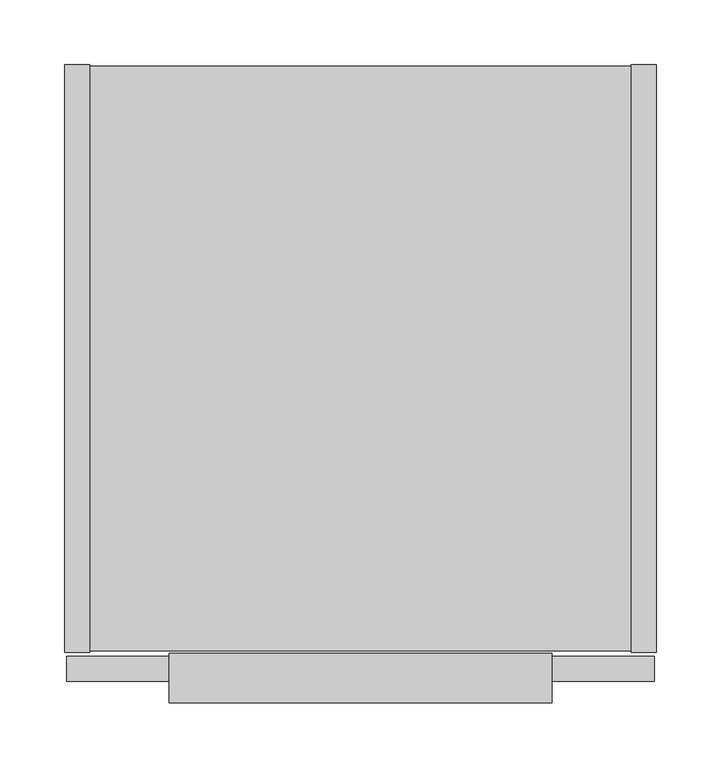
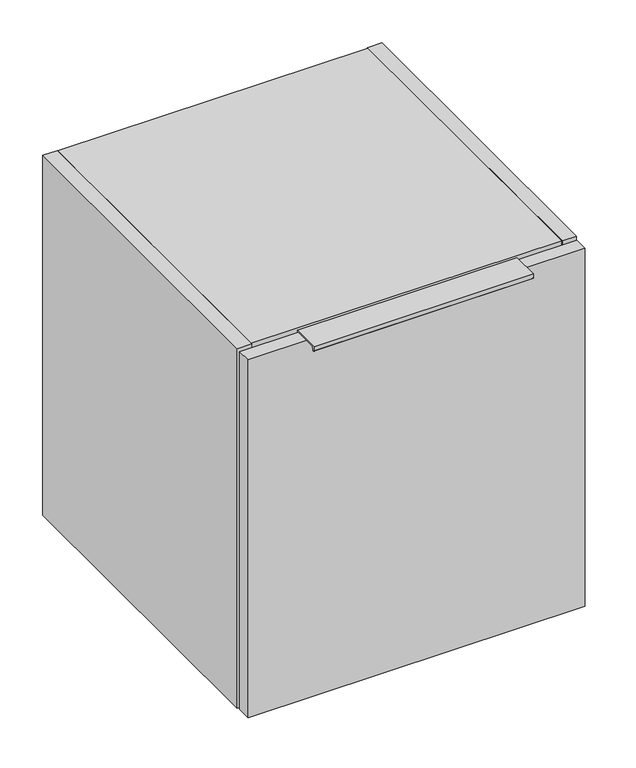
"""IFC4 building model written with IfcOpenShell, lengths in millimetres: furniture geometry."""

from ifc_helpers import new_model, si_unit, point, frame, frame_2d, origin, place, context, project, spatial, polyline, circle_curve, trimmed, segment, composite_curve, outline, extrude, source, transform, mapped, element, save


def furniture_e554cea0(model_context):
    return source(origin(), model_context, "Body", "SweptSolid", [
        extrude(outline(composite_curve([segment(polyline([(-455.1095617, 836.525), (-455.1095617, 817.025), (-457.2, 817.025), (-457.2, 835.025), (-489.8685141, 835.025), (-491.1436358, 830.266181)]), True, "CONTINUOUS"), segment(trimmed(circle_curve(frame_2d((-492.1095617, 830.525)), 1.0), [point((-491.1436358, 830.266181))], [point((-493.1095617, 830.525))], False, "CARTESIAN"), True, "CONTINUOUS"), segment(polyline([(-493.1095617, 830.525), (-493.1095617, 836.525), (-455.1095617, 836.525)]), True, "CONTINUOUS")], self_intersect=False)), frame((80.5942, 0.0, 0.0), z_axis=(1.0, 0.0, 0.0), x_axis=(0.0, 1.0, 0.0)), (0.0, 0.0, 1.0), 296.0116),
        extrude(outline(polyline([(455.6125, -476.504), (1.5875, -476.504), (1.5875, -457.2), (455.6125, -457.2), (455.6125, -476.504)])), frame((0.0, 0.0, 325.6026), z_axis=(0.0, 0.0, 1.0), x_axis=(1.0, 0.0, 0.0)), (0.0, 0.0, 1.0), 509.4224),
        extrude(outline(polyline([(19.304, 0.0), (19.304, -454.025), (0.0, -454.025), (0.0, 0.0), (19.304, 0.0)])), frame((0.0, 0.0, 325.628), z_axis=(0.0, 0.0, 1.0), x_axis=(1.0, 0.0, 0.0)), (0.0, 0.0, 1.0), 512.572),
        extrude(outline(composite_curve([segment(polyline([(-454.025, 838.2), (0.0, 838.2), (0.0, 761.492), (-9.3963729, 761.492)]), True, "CONTINUOUS"), segment(trimmed(circle_curve(frame_2d((-9.3963729, 758.1883729)), 3.3036271), [point((-9.3963729, 761.492))], [point((-12.7, 758.1883729))], True, "CARTESIAN"), True, "CONTINUOUS"), segment(polyline([(-12.7, 758.1883729), (-12.7, 656.844)]), True, "CONTINUOUS"), segment(trimmed(circle_curve(frame_2d((-9.398, 656.844)), 3.302), [point((-12.7, 656.844))], [point((-9.398, 653.542))], True, "CARTESIAN"), True, "CONTINUOUS"), segment(polyline([(-9.398, 653.542), (0.0, 653.542), (0.0, 325.628), (-454.025, 325.628), (-454.025, 838.2)]), True, "CONTINUOUS")], self_intersect=False)), frame((437.896, 0.0, 0.0), z_axis=(1.0, 0.0, 0.0), x_axis=(0.0, 1.0, 0.0)), (0.0, 0.0, 1.0), 19.304),
        extrude(outline(polyline([(437.896, -0.9906), (437.896, -453.0344), (19.304, -453.0344), (19.304, -0.9906), (437.896, -0.9906)])), frame((0.0, 0.0, 326.6186), z_axis=(0.0, 0.0, 1.0), x_axis=(1.0, 0.0, 0.0)), (0.0, 0.0, 1.0), 19.304),
        extrude(outline(composite_curve([segment(polyline([(-32.004, 818.896), (-11.938, 818.896), (-11.938, 760.2988429)]), True, "CONTINUOUS"), segment(trimmed(circle_curve(frame_2d((-9.3963729, 758.1883729)), 3.3036271), [point((-11.938, 760.2988429))], [point((-12.7, 758.1883729))], True, "CARTESIAN"), True, "CONTINUOUS"), segment(polyline([(-12.7, 758.1883729), (-12.7, 656.844)]), True, "CONTINUOUS"), segment(trimmed(circle_curve(frame_2d((-9.398, 656.844)), 3.302), [point((-12.7, 656.844))], [point((-11.938, 654.7341175))], True, "CARTESIAN"), True, "CONTINUOUS"), segment(polyline([(-11.938, 654.7341175), (-11.938, 345.9226), (-32.004, 345.9226), (-32.004, 818.896)]), True, "CONTINUOUS")], self_intersect=False)), frame((19.304, 0.0, 0.0), z_axis=(1.0, 0.0, 0.0), x_axis=(0.0, 1.0, 0.0)), (0.0, 0.0, 1.0), 418.592),
        extrude(outline(polyline([(437.896, -453.0344), (19.304, -453.0344), (19.304, -0.9906), (437.896, -0.9906), (437.896, -453.0344)])), frame((0.0, 0.0, 818.896), z_axis=(0.0, 0.0, 1.0), x_axis=(1.0, 0.0, 0.0)), (0.0, 0.0, 1.0), 19.304),
    ])


if __name__ == "__main__":
    model = new_model("IFC4")
    model_context = context("Model", 3, world=origin())
    ifc_project = project(units=[si_unit("LENGTHUNIT", "METRE", prefix="MILLI")], contexts=[model_context])
    site = spatial("IfcSite", under=ifc_project)
    building = spatial("IfcBuilding", under=site)
    placement = place(None, origin())
    furniture_shape = furniture_e554cea0(model_context)
    element("IfcFurniture", 1, at=placement, inside=building, context=model_context, shape_type="MappedRepresentation", body=[
        mapped(furniture_shape, transform((0.0, 0.0, 0.0), x_axis=(1.0, 0.0, 0.0), y_axis=(0.0, 1.0, 0.0), z_axis=(0.0, 0.0, 1.0))),
    ])
    save(model, "model.ifc")
